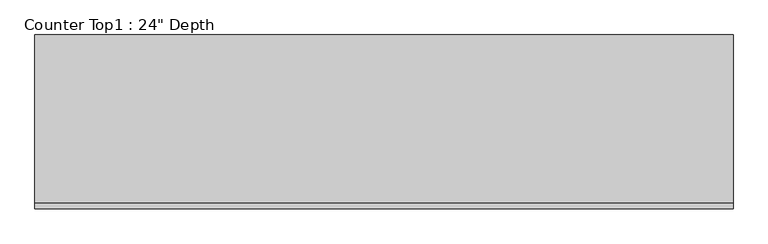
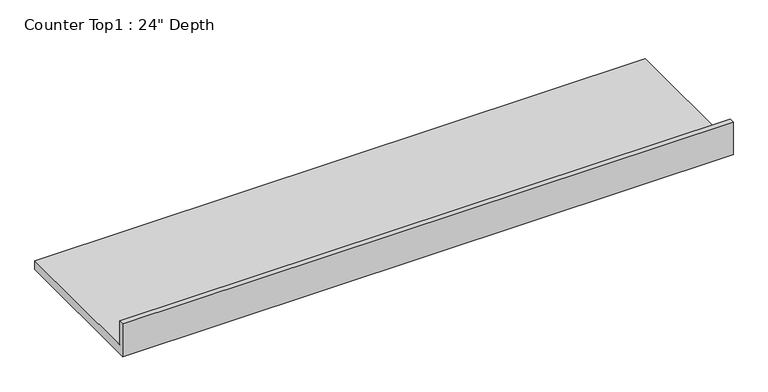
"""IFC4 building model written with IfcOpenShell, lengths in millimetres: furniture geometry."""

import ifcopenshell
import ifcopenshell.guid

model = None  # the IFC model being written
_history = None  # IfcOwnerHistory: only IFC2X3 demands one
_inside = {}  # id of a spatial element -> (the spatial element, [elements in it])
_under = {}  # id of a project, library or spatial element -> (it, [spatial elements below it])
_declared = {}  # id of a project -> (the project, [libraries it declares])
_typed = {}  # id of a type object -> (the type object, [elements of that type])
_made_of = {}  # id of a material, layer set ... -> (it, [elements and type objects made of it])


def new_model(schema):
    """Start an empty IFC model of exactly this schema.

    Asked for "IFC4X3", IfcOpenShell would pick the latest addendum, in which some entities
    have other attributes; the version numbers below select the first issue.
    IFC2X3 requires an IfcOwnerHistory on every rooted entity: one is made here for all.
    """
    global model, _history
    if schema == "IFC4X3":
        model = ifcopenshell.file(schema_version=(4, 3, 0, 0))
    else:
        model = ifcopenshell.file(schema=schema)
    _inside.clear()
    _under.clear()
    _declared.clear()
    _typed.clear()
    _made_of.clear()
    _history = None
    if model.schema == "IFC2X3":
        org = make("IfcOrganization", Name="unknown")
        user = make(
            "IfcPersonAndOrganization",
            ThePerson=make("IfcPerson", FamilyName="unknown"),
            TheOrganization=org,
        )
        app = make(
            "IfcApplication",
            ApplicationDeveloper=org,
            Version="unknown",
            ApplicationFullName="unknown",
            ApplicationIdentifier="unknown",
        )
        _history = make(
            "IfcOwnerHistory",
            OwningUser=user,
            OwningApplication=app,
            ChangeAction="ADDED",
            CreationDate=0,
        )
    return model


def make(cls, **values):
    """One entity of the class cls with the attributes given. An attribute that is None is left unset."""
    return model.create_entity(
        cls, **{name: value for name, value in values.items() if value is not None}
    )


def rooted(cls, **values):
    """An entity with a GlobalId (a new one), such as an element, a storey or a relation."""
    return make(cls, GlobalId=ifcopenshell.guid.new(), OwnerHistory=_history, **values)


def si_unit(unit_type, name, prefix=None):
    """IfcSIUnit, for example si_unit("LENGTHUNIT", "METRE", prefix="MILLI")."""
    return make("IfcSIUnit", UnitType=unit_type, Prefix=prefix, Name=name)


def assignment(units):
    """IfcUnitAssignment: the units of a project."""
    return None if units is None else make("IfcUnitAssignment", Units=units)


def point(xyz):
    """IfcCartesianPoint."""
    return None if xyz is None else make("IfcCartesianPoint", Coordinates=xyz)


def direction(xyz):
    """IfcDirection."""
    return None if xyz is None else make("IfcDirection", DirectionRatios=xyz)


def frame(location, z_axis=None, x_axis=None):
    """IfcAxis2Placement3D, a coordinate frame: its origin and axes. An axis left out is left unset."""
    return make(
        "IfcAxis2Placement3D",
        Location=point(location),
        Axis=direction(z_axis),
        RefDirection=direction(x_axis),
    )


def origin():
    """The frame at (0, 0, 0) with its axes left unset."""
    return frame((0.0, 0.0, 0.0))


def place(relative_to, where):
    """IfcLocalPlacement: puts the frame where relative to a parent placement (None: the world)."""
    return make(
        "IfcLocalPlacement", PlacementRelTo=relative_to, RelativePlacement=where
    )


def context(
    kind, dimensions, precision=None, world=None, true_north=None, identifier=None
):
    """IfcGeometricRepresentationContext, for example the 3D "Model" context."""
    return make(
        "IfcGeometricRepresentationContext",
        ContextIdentifier=identifier,
        ContextType=kind,
        CoordinateSpaceDimension=dimensions,
        Precision=precision,
        WorldCoordinateSystem=world,
        TrueNorth=true_north,
    )


def project(units=None, contexts=None):
    """IfcProject with its units and contexts."""
    return rooted(
        "IfcProject",
        Name="project",
        RepresentationContexts=contexts,
        UnitsInContext=assignment(units),
    )


def spatial(cls, under=None, at=None, **own):
    """A site, building, storey or space (cls), placed at a placement, below another one or the project."""
    s = rooted(cls, ObjectPlacement=at, **own)
    if under is not None:
        _under.setdefault(under.id(), (under, []))[1].append(s)
    return s


def polyline(points):
    """IfcPolyline through the points."""
    return make("IfcPolyline", Points=[point(p) for p in points])


def outline(outer, holes=None, kind="AREA"):
    """IfcArbitraryClosedProfileDef: a profile drawn as a closed curve; with holes, ...WithVoids."""
    if holes is None:
        return make("IfcArbitraryClosedProfileDef", ProfileType=kind, OuterCurve=outer)
    return make(
        "IfcArbitraryProfileDefWithVoids",
        ProfileType=kind,
        OuterCurve=outer,
        InnerCurves=holes,
    )


def extrude(swept, where, along, depth):
    """IfcExtrudedAreaSolid: the profile swept, set in the frame where, extruded along a direction by depth."""
    return make(
        "IfcExtrudedAreaSolid",
        SweptArea=swept,
        Position=where,
        ExtrudedDirection=direction(along),
        Depth=depth,
    )


def shape(context_of_items, identifier, shape_type, items):
    """IfcShapeRepresentation: the items that make up one representation, for example the "Body"."""
    return make(
        "IfcShapeRepresentation",
        ContextOfItems=context_of_items,
        RepresentationIdentifier=identifier,
        RepresentationType=shape_type,
        Items=items,
    )


def source(mapping_origin, context_of_items, identifier, shape_type, items):
    """IfcRepresentationMap: a shape defined once, which mapped items show again and again."""
    return make(
        "IfcRepresentationMap",
        MappingOrigin=mapping_origin,
        MappedRepresentation=shape(context_of_items, identifier, shape_type, items),
    )


def transform(
    local_origin,
    x_axis=None,
    y_axis=None,
    z_axis=None,
    scale=None,
    scale2=None,
    scale3=None,
    uniform=True,
):
    """IfcCartesianTransformationOperator3D, or its non-uniform kind. x_axis, y_axis, z_axis: its Axis1, 2, 3."""
    if uniform:
        return make(
            "IfcCartesianTransformationOperator3D",
            Axis1=direction(x_axis),
            Axis2=direction(y_axis),
            LocalOrigin=point(local_origin),
            Scale=scale,
            Axis3=direction(z_axis),
        )
    return make(
        "IfcCartesianTransformationOperator3DnonUniform",
        Axis1=direction(x_axis),
        Axis2=direction(y_axis),
        LocalOrigin=point(local_origin),
        Scale=scale,
        Axis3=direction(z_axis),
        Scale2=scale2,
        Scale3=scale3,
    )


def mapped(mapping_source, mapping_target):
    """IfcMappedItem: shows the shape of a source again, moved by a transform."""
    return make(
        "IfcMappedItem", MappingSource=mapping_source, MappingTarget=mapping_target
    )


def made_of(thing, what):
    """Note that an element or type object is made of a material, layer set ...; save() writes the relation."""
    if what is not None:
        _made_of.setdefault(what.id(), (what, []))[1].append(thing)
    return thing


def element(
    cls,
    number,
    at=None,
    inside=None,
    cuts=None,
    type_object=None,
    material=None,
    context=None,
    identifier="Body",
    shape_type=None,
    held_by="IfcProductDefinitionShape",
    body=None,
    shapes=None,
    **own,
):
    """One element of the class cls, such as IfcWall. Its Tag is "e" and its number.

    at: its placement. inside: the storey or other place that contains it. cuts: it is an
    opening in that element (IfcRelVoidsElement). A single representation is given by context,
    identifier, shape_type and body (its items); several are given by shapes. held_by: the class
    of the entity that holds the representations. save() writes the other relations.
    """
    e = rooted(cls, Tag="e%d" % number, ObjectPlacement=at, **own)
    if body is not None:
        shapes = [shape(context, identifier, shape_type, body)]
    if shapes is not None:
        e.Representation = make(held_by, Representations=shapes)
    if inside is not None:
        _inside.setdefault(inside.id(), (inside, []))[1].append(e)
    if cuts is not None:
        rooted(
            "IfcRelVoidsElement", RelatingBuildingElement=cuts, RelatedOpeningElement=e
        )
    if type_object is not None:
        _typed.setdefault(type_object.id(), (type_object, []))[1].append(e)
    return made_of(e, material)


def aggregate(whole, parts):
    """IfcRelAggregates: a whole, such as a stair, and the parts it consists of."""
    return rooted("IfcRelAggregates", RelatingObject=whole, RelatedObjects=parts)


def save(model, path):
    """Write the relations noted so far, then the file.

    IfcRelAggregates (storeys below a building ...), IfcRelContainedInSpatialStructure (elements
    in a storey), IfcRelDefinesByType, IfcRelAssociatesMaterial and IfcRelDeclares: one each for
    every whole, place, type object, material and project.
    """
    for whole, parts in _under.values():
        aggregate(whole, parts)
    for where, things in _inside.values():
        rooted(
            "IfcRelContainedInSpatialStructure",
            RelatedElements=things,
            RelatingStructure=where,
        )
    for kind, things in _typed.values():
        rooted("IfcRelDefinesByType", RelatedObjects=things, RelatingType=kind)
    for what, things in _made_of.values():
        rooted("IfcRelAssociatesMaterial", RelatedObjects=things, RelatingMaterial=what)
    for by, libraries in _declared.values():
        rooted("IfcRelDeclares", RelatingContext=by, RelatedDefinitions=libraries)
    model.write(path)


def furniture_fa4a99ac(model_context):
    return source(origin(), model_context, "Body", "SweptSolid", [
        extrude(outline(polyline([(0.0, 1016.0), (19.05, 1016.0), (19.05, 914.4), (609.6, 914.4), (609.6, 876.3), (0.0, 876.3), (0.0, 1016.0)])), frame((-1200.4622951, 0.0, 0.0), z_axis=(1.0, 0.0, 0.0), x_axis=(0.0, 1.0, 0.0)), (0.0, 0.0, 1.0), 2450.0487809),
    ])


if __name__ == "__main__":
    model = new_model("IFC4")
    model_context = context("Model", 3, world=origin())
    ifc_project = project(units=[si_unit("LENGTHUNIT", "METRE", prefix="MILLI")], contexts=[model_context])
    site = spatial("IfcSite", under=ifc_project)
    building = spatial("IfcBuilding", under=site)
    placement = place(None, origin())
    furniture_shape = furniture_fa4a99ac(model_context)
    element("IfcFurniture", 1, ObjectType="Counter Top1 : 24\" Depth", at=placement, inside=building, context=model_context, shape_type="MappedRepresentation", body=[
        mapped(furniture_shape, transform((0.0, 0.0, 0.0), x_axis=(1.0, 0.0, 0.0), y_axis=(0.0, 1.0, 0.0), z_axis=(0.0, 0.0, 1.0))),
    ])
    save(model, "model.ifc")
